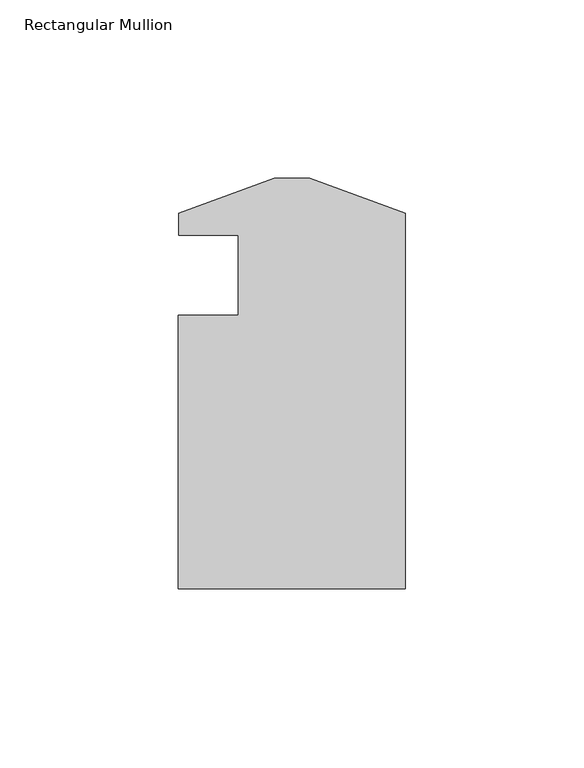
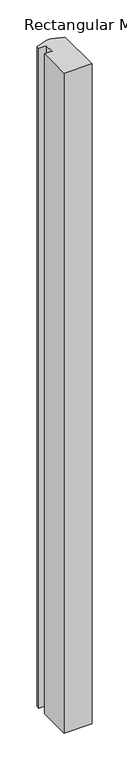
"""IFC4 building model written with IfcOpenShell, lengths in millimetres: member geometry, Rectangular Mullion."""

from ifc_helpers import new_model, si_unit, frame, origin, place, context, project, spatial, polyline, outline, extrude, source, transform, mapped, element, save


def rectangular_mullion_dcba0061(model_context):
    return source(origin(), model_context, "Body", "SweptSolid", [
        extrude(outline(polyline([(0.0, -114.5309812), (-63.5, -114.5309813), (-63.5, -38.0007813), (-46.8122, -38.0007813), (-46.8122, -15.5217813), (-63.4796279, -15.5217813), (-63.4499958, -9.4257813), (-36.6522, 0.3278187), (-26.7977958, 0.3278187), (0.0, -9.4257813), (0.0, -114.5309812)])), frame((0.0, 0.0, -1581.15), z_axis=(0.0, 0.0, 1.0), x_axis=(1.0, 0.0, 0.0)), (0.0, 0.0, 1.0), 1581.15),
    ])


if __name__ == "__main__":
    model = new_model("IFC4")
    model_context = context("Model", 3, world=origin())
    ifc_project = project(units=[si_unit("LENGTHUNIT", "METRE", prefix="MILLI")], contexts=[model_context])
    site = spatial("IfcSite", under=ifc_project)
    building = spatial("IfcBuilding", under=site)
    placement = place(None, origin())
    rectangular_mullion_shape = rectangular_mullion_dcba0061(model_context)
    element("IfcMember", 1, ObjectType="Rectangular Mullion", at=placement, inside=building, context=model_context, shape_type="MappedRepresentation", body=[
        mapped(rectangular_mullion_shape, transform((0.0, 0.0, 0.0), x_axis=(1.0, 0.0, 0.0), y_axis=(0.0, 1.0, 0.0), z_axis=(0.0, 0.0, 1.0))),
    ])
    save(model, "model.ifc")
